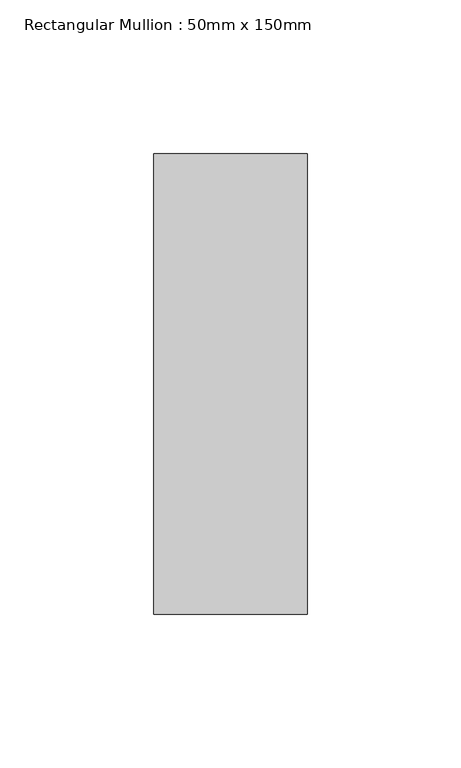
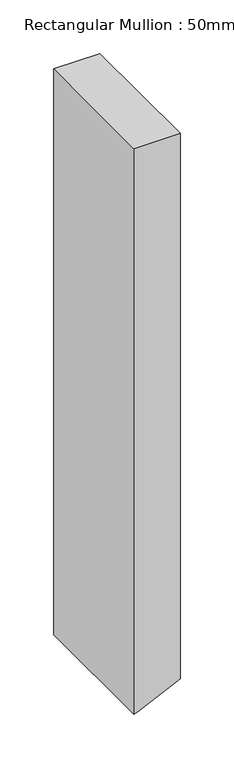
"""IFC4 building model written with IfcOpenShell, lengths in millimetres: member geometry, Rectangular Mullion : 50mm x 150mm."""

from ifc_helpers import new_model, si_unit, frame, origin, place, context, project, spatial, polyline, outline, extrude, source, transform, mapped, element, save


def rectangular_mullion_50mm_x_150mm_e326bd88(model_context):
    return source(origin(), model_context, "Body", "SweptSolid", [
        extrude(outline(polyline([(0.0, 25.0), (0.0, -25.0), (-644.5801895, -25.0), (-642.7436929, -21.0411824), (-621.3851754, 25.0), (0.0, 25.0)])), frame((0.0, -75.0, 0.0), z_axis=(0.0, 1.0, 0.0), x_axis=(0.0, 0.0, 1.0)), (0.0, 0.0, 1.0), 150.0),
    ])


if __name__ == "__main__":
    model = new_model("IFC4")
    model_context = context("Model", 3, world=origin())
    ifc_project = project(units=[si_unit("LENGTHUNIT", "METRE", prefix="MILLI")], contexts=[model_context])
    site = spatial("IfcSite", under=ifc_project)
    building = spatial("IfcBuilding", under=site)
    placement = place(None, origin())
    rectangular_mullion_50mm_x_150mm_shape = rectangular_mullion_50mm_x_150mm_e326bd88(model_context)
    element("IfcMember", 1, ObjectType="Rectangular Mullion : 50mm x 150mm", at=placement, inside=building, context=model_context, shape_type="MappedRepresentation", body=[
        mapped(rectangular_mullion_50mm_x_150mm_shape, transform((0.0, 0.0, 0.0), x_axis=(1.0, 0.0, 0.0), y_axis=(0.0, 1.0, 0.0), z_axis=(0.0, 0.0, 1.0))),
    ])
    save(model, "model.ifc")
